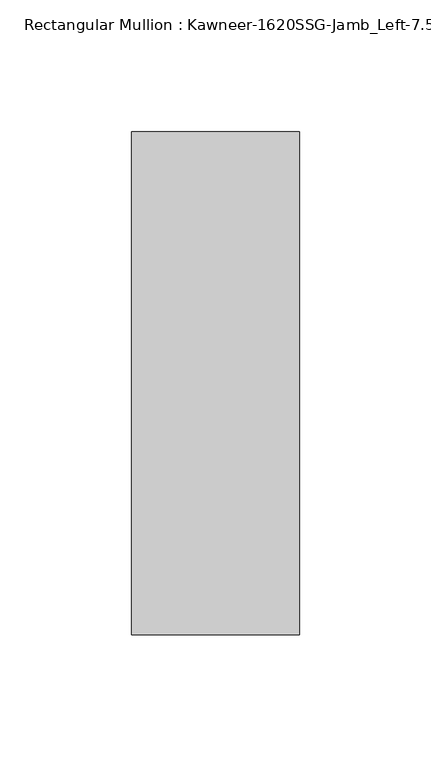
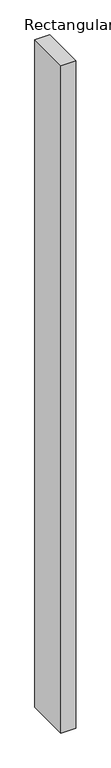
"""IFC4 building model written with IfcOpenShell, lengths in millimetres: member geometry."""

from ifc_helpers import new_model, si_unit, frame, origin, place, context, project, spatial, polyline, outline, extrude, source, transform, mapped, element, save


def member_cbe8941e(model_context):
    return source(origin(), model_context, "Body", "SweptSolid", [
        extrude(outline(polyline([(-63.5, 38.1), (0.0, 38.1), (0.0, -152.4), (-63.5, -152.4), (-63.5, 38.1)])), frame((0.0, 0.0, -2984.5), z_axis=(0.0, 0.0, 1.0), x_axis=(1.0, 0.0, 0.0)), (0.0, 0.0, 1.0), 2984.5),
    ])


if __name__ == "__main__":
    model = new_model("IFC4")
    model_context = context("Model", 3, world=origin())
    ifc_project = project(units=[si_unit("LENGTHUNIT", "METRE", prefix="MILLI")], contexts=[model_context])
    site = spatial("IfcSite", under=ifc_project)
    building = spatial("IfcBuilding", under=site)
    placement = place(None, origin())
    member_shape = member_cbe8941e(model_context)
    element("IfcMember", 1, ObjectType="Rectangular Mullion : Kawneer-1620SSG-Jamb_Left-7.5\"-1\"Infill", at=placement, inside=building, context=model_context, shape_type="MappedRepresentation", body=[
        mapped(member_shape, transform((0.0, 0.0, 0.0), x_axis=(1.0, 0.0, 0.0), y_axis=(0.0, 1.0, 0.0), z_axis=(0.0, 0.0, 1.0))),
    ])
    save(model, "model.ifc")
